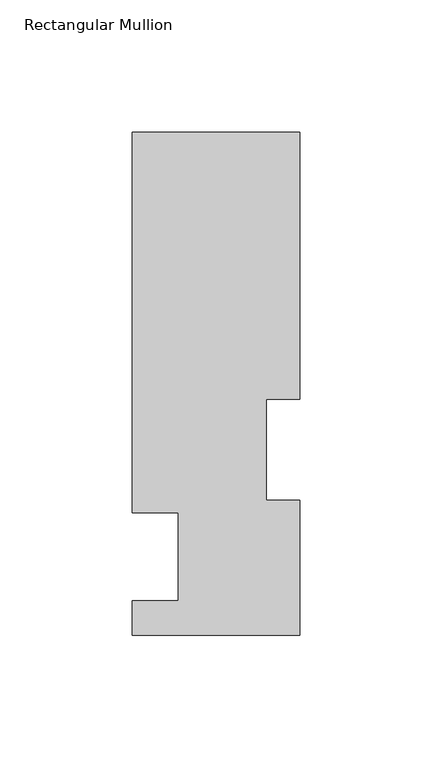
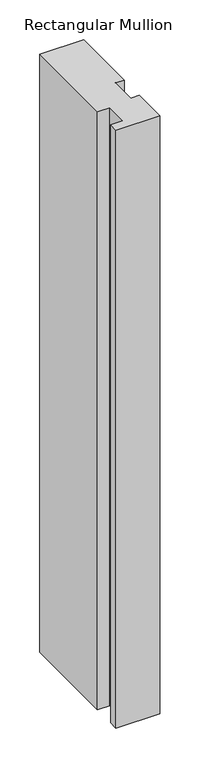
"""IFC4 building model written with IfcOpenShell, lengths in millimetres: member geometry, Rectangular Mullion."""

from ifc_helpers import new_model, si_unit, frame, origin, place, context, project, spatial, polyline, outline, extrude, source, transform, mapped, element, save


def rectangular_mullion_a0379543(model_context):
    return source(origin(), model_context, "Body", "SweptSolid", [
        extrude(outline(polyline([(-31.7500003, 46.7447312), (-31.7500003, 190.7881312), (31.7499996, 190.7881312), (31.7499996, 89.5945313), (19.05, 89.5945313), (19.05, 51.4945313), (31.75, 51.4945313), (31.75, 0.2119313), (-31.75, 0.2119313), (-31.75, 13.3945313), (-14.2748, 13.3945313), (-14.2748, 46.7447312), (-31.7500003, 46.7447312)])), frame((0.0, 0.0, -914.4), z_axis=(0.0, 0.0, 1.0), x_axis=(1.0, 0.0, 0.0)), (0.0, 0.0, 1.0), 914.4),
    ])


if __name__ == "__main__":
    model = new_model("IFC4")
    model_context = context("Model", 3, world=origin())
    ifc_project = project(units=[si_unit("LENGTHUNIT", "METRE", prefix="MILLI")], contexts=[model_context])
    site = spatial("IfcSite", under=ifc_project)
    building = spatial("IfcBuilding", under=site)
    placement = place(None, origin())
    rectangular_mullion_shape = rectangular_mullion_a0379543(model_context)
    element("IfcMember", 1, ObjectType="Rectangular Mullion", at=placement, inside=building, context=model_context, shape_type="MappedRepresentation", body=[
        mapped(rectangular_mullion_shape, transform((0.0, 0.0, 0.0), x_axis=(1.0, 0.0, 0.0), y_axis=(0.0, 1.0, 0.0), z_axis=(0.0, 0.0, 1.0))),
    ])
    save(model, "model.ifc")
